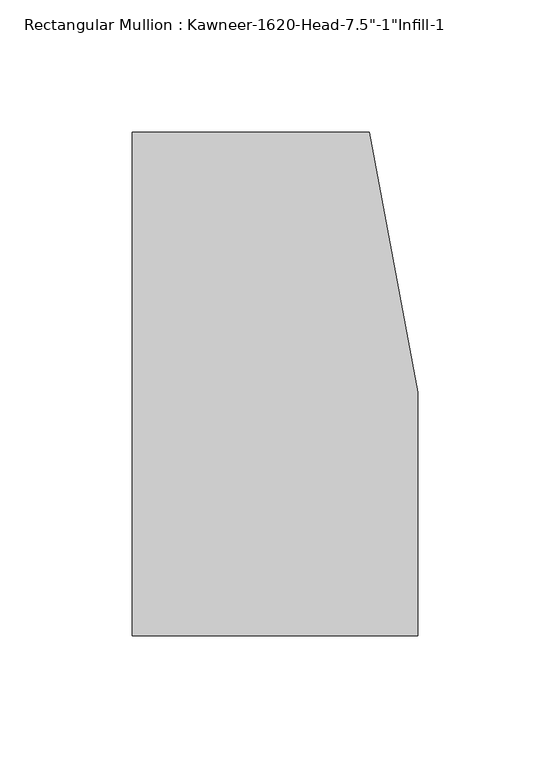
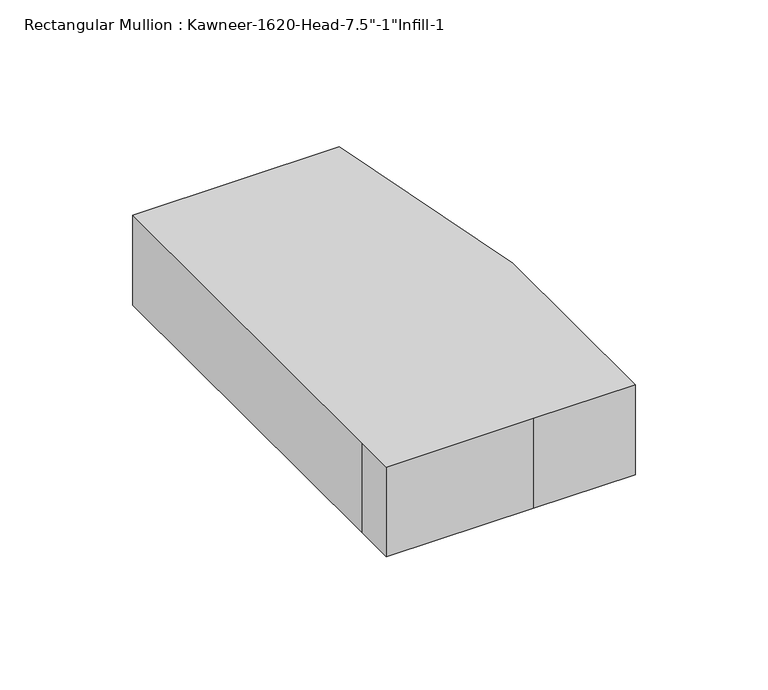
"""IFC4 building model written with IfcOpenShell, lengths in millimetres: member geometry."""

from ifc_helpers import new_model, si_unit, frame, origin, place, context, project, spatial, polyline, outline, extrude, source, transform, mapped, element, save


def member_ca7291ee(model_context):
    return source(origin(), model_context, "Body", "SweptSolid", [
        extrude(outline(polyline([(-107.95, -19.9095466), (-107.95, 152.4), (-18.3538271, 152.4), (0.0, 53.975), (0.0, -38.1), (-44.1519366, -38.1), (-107.95, -38.1), (-107.95, -19.9095466)])), frame((0.0, 0.0, -41.275), z_axis=(0.0, 0.0, 1.0), x_axis=(1.0, 0.0, 0.0)), (0.0, 0.0, 1.0), 41.275),
    ])


if __name__ == "__main__":
    model = new_model("IFC4")
    model_context = context("Model", 3, world=origin())
    ifc_project = project(units=[si_unit("LENGTHUNIT", "METRE", prefix="MILLI")], contexts=[model_context])
    site = spatial("IfcSite", under=ifc_project)
    building = spatial("IfcBuilding", under=site)
    placement = place(None, origin())
    member_shape = member_ca7291ee(model_context)
    element("IfcMember", 1, ObjectType="Rectangular Mullion : Kawneer-1620-Head-7.5\"-1\"Infill-1", at=placement, inside=building, context=model_context, shape_type="MappedRepresentation", body=[
        mapped(member_shape, transform((0.0, 0.0, 0.0), x_axis=(1.0, 0.0, 0.0), y_axis=(0.0, 1.0, 0.0), z_axis=(0.0, 0.0, 1.0))),
    ])
    save(model, "model.ifc")
